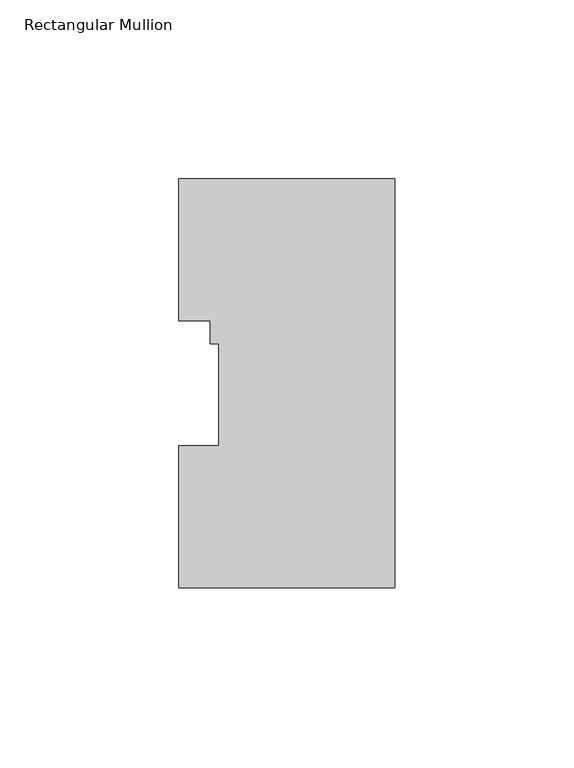
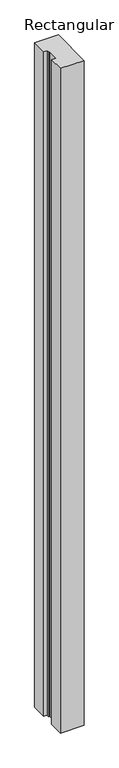
"""IFC4 building model written with IfcOpenShell, lengths in millimetres: member geometry, Rectangular Mullion."""

from ifc_helpers import new_model, si_unit, frame, origin, place, context, project, spatial, polyline, outline, extrude, source, transform, mapped, element, save


def rectangular_mullion_186acff4(model_context):
    return source(origin(), model_context, "Body", "SweptSolid", [
        extrude(outline(polyline([(0.0, 114.271425), (0.0, -0.028575), (-60.325, -0.028575), (-60.325, 39.646225), (-49.2125, 39.646225), (-49.2125, 68.246625), (-51.5874, 68.246625), (-51.5874, 74.596625), (-60.325, 74.596625), (-60.325, 114.271425), (0.0, 114.271425)])), frame((0.0, 0.0, -1790.7), z_axis=(0.0, 0.0, 1.0), x_axis=(1.0, 0.0, 0.0)), (0.0, 0.0, 1.0), 1790.7),
    ])


if __name__ == "__main__":
    model = new_model("IFC4")
    model_context = context("Model", 3, world=origin())
    ifc_project = project(units=[si_unit("LENGTHUNIT", "METRE", prefix="MILLI")], contexts=[model_context])
    site = spatial("IfcSite", under=ifc_project)
    building = spatial("IfcBuilding", under=site)
    placement = place(None, origin())
    rectangular_mullion_shape = rectangular_mullion_186acff4(model_context)
    element("IfcMember", 1, ObjectType="Rectangular Mullion", at=placement, inside=building, context=model_context, shape_type="MappedRepresentation", body=[
        mapped(rectangular_mullion_shape, transform((0.0, 0.0, 0.0), x_axis=(1.0, 0.0, 0.0), y_axis=(0.0, 1.0, 0.0), z_axis=(0.0, 0.0, 1.0))),
    ])
    save(model, "model.ifc")
